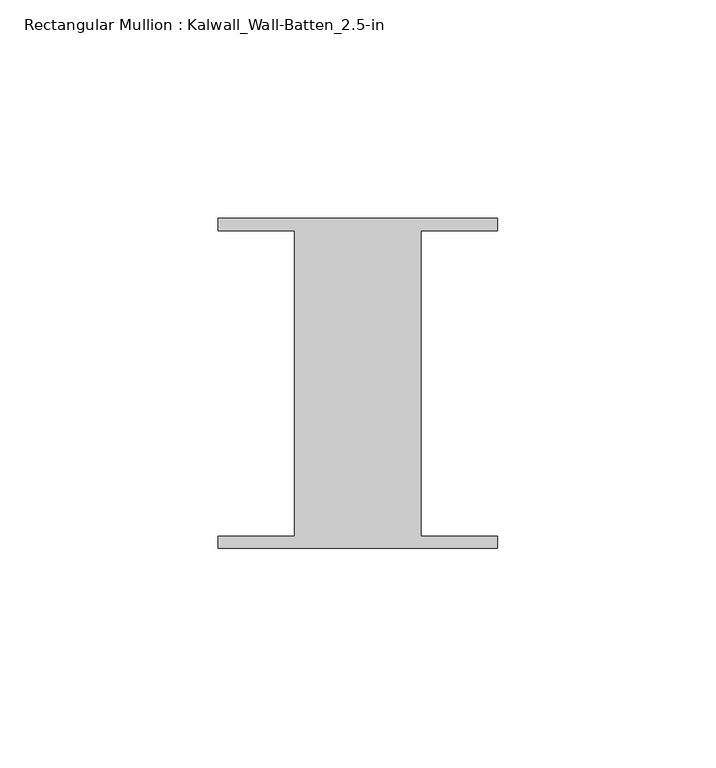
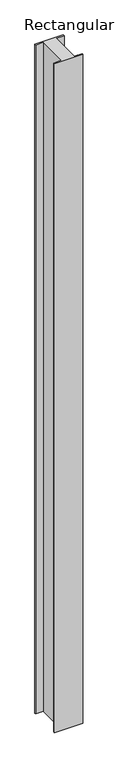
"""IFC4 building model written with IfcOpenShell, lengths in millimetres: member geometry, Rectangular Mullion : Kalwall_Wall-Batten_2.5-in."""

from ifc_helpers import new_model, si_unit, frame, origin, place, context, project, spatial, polyline, outline, extrude, source, transform, mapped, element, save


def rectangular_mullion_kalwall_wall_batten_2_5_in_e0f5f60e(model_context):
    return source(origin(), model_context, "Body", "SweptSolid", [
        extrude(outline(polyline([(-32.0, -36.524), (-32.0, -33.73), (-14.5, -33.73), (-14.5, 36.27), (-32.0, 36.27), (-32.0, 39.064), (32.0, 39.064), (32.0, 36.27), (14.5, 36.27), (14.5, -33.73), (32.0, -33.73), (32.0, -36.524), (-32.0, -36.524)])), frame((0.0, 0.0, -1585.0068), z_axis=(0.0, 0.0, 1.0), x_axis=(1.0, 0.0, 0.0)), (0.0, 0.0, 1.0), 1585.0068),
    ])


if __name__ == "__main__":
    model = new_model("IFC4")
    model_context = context("Model", 3, world=origin())
    ifc_project = project(units=[si_unit("LENGTHUNIT", "METRE", prefix="MILLI")], contexts=[model_context])
    site = spatial("IfcSite", under=ifc_project)
    building = spatial("IfcBuilding", under=site)
    placement = place(None, origin())
    rectangular_mullion_kalwall_wall_batten_2_5_in_shape = rectangular_mullion_kalwall_wall_batten_2_5_in_e0f5f60e(model_context)
    element("IfcMember", 1, ObjectType="Rectangular Mullion : Kalwall_Wall-Batten_2.5-in", at=placement, inside=building, context=model_context, shape_type="MappedRepresentation", body=[
        mapped(rectangular_mullion_kalwall_wall_batten_2_5_in_shape, transform((0.0, 0.0, 0.0), x_axis=(1.0, 0.0, 0.0), y_axis=(0.0, 1.0, 0.0), z_axis=(0.0, 0.0, 1.0))),
    ])
    save(model, "model.ifc")
